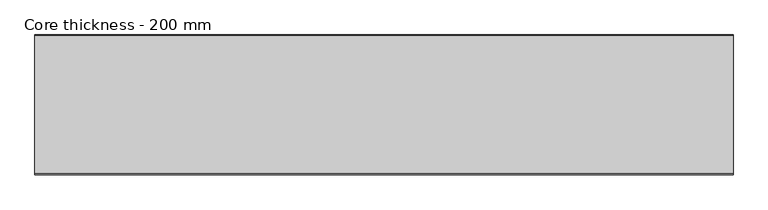
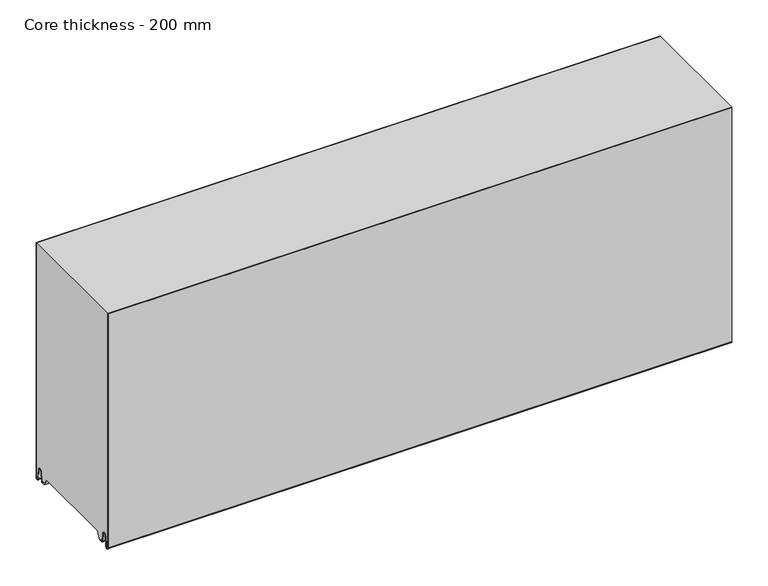
"""IFC4 building model written with IfcOpenShell, lengths in millimetres: plate geometry, Core thickness - 200 mm."""

from ifc_helpers import new_model, si_unit, frame, origin, place, context, project, spatial, polyline, circle_curve, source, transform, mapped, element, save
from ifc_brep_helpers import plane_surface, cylinder_surface, revolved_surface, advanced_brep


def core_thickness_200_mm_988ea79d(model_context):
    return source(origin(), model_context, "Body", "AdvancedBrep", [
        advanced_brep(
        [(500.0000002, -199.9996949, 2.9900682), (500.0000002, -193.81449, 2.6875612), (500.0000002, -192.197116, 19.1828169), (500.0000002, -189.1776715, 21.8898782), (500.0000002, -186.1582271, 19.1828169), (500.0000002, -184.7725998, 5.0510966), (500.0000002, -180.3830995, 5.265779), (500.0000002, -181.1830995, 5.265779), (500.0000002, -183.9764178, 5.1291629), (500.0000002, -185.3620451, 19.2608832), (500.0000002, -189.1776715, 22.6899182), (500.0000002, -192.9932979, 19.2608832), (500.0000002, -194.6106719, 2.7656275), (500.0000002, -199.1996949, 2.9900682), (500.0000002, -199.2, 400.0), (500.0000002, -199.9996949, 400.0), (-500.0000002, -199.1996949, 2.9900682), (-500.0000002, -194.6106719, 2.7656275), (-500.0000002, -192.9932979, 19.2608832), (-500.0000002, -189.1776715, 22.6899182), (-500.0000002, -185.3620451, 19.2608832), (-500.0000002, -183.9764178, 5.1291629), (-500.0000002, -181.1830995, 5.265779), (-500.0000002, -180.3830995, 5.265779), (-500.0000002, -184.7725998, 5.0510966), (-500.0000002, -186.1582271, 19.1828169), (-500.0000002, -189.1776715, 21.8898782), (-500.0000002, -192.197116, 19.1828169), (-500.0000002, -193.81449, 2.6875612), (-500.0000002, -199.9996949, 2.9900682), (-500.0000002, -199.9996949, 400.0), (-500.0000002, -199.2, 400.0)],
        [
            (0, 1, circle_curve(frame((500.0000002, -196.8996949, 2.9900682), z_axis=(1.0, 0.0, 0.0), x_axis=(0.0, 0.0, -1.0)), 3.1)),
            (1, 2),
            (2, 3, circle_curve(frame((500.0000002, -189.2114338, 18.8900682), z_axis=(-1.0, 0.0, 0.0), x_axis=(0.0, 0.0, -1.0)), 3.0)),
            (3, 4, circle_curve(frame((500.0000002, -189.1439093, 18.8900682), z_axis=(-1.0, 0.0, 0.0), x_axis=(0.0, 0.0, -1.0)), 3.0)),
            (4, 5),
            (5, 6, circle_curve(frame((500.0000002, -182.5830995, 5.265779), z_axis=(1.0, 0.0, 0.0), x_axis=(0.0, 0.0, -1.0)), 2.2)),
            (6, 7),
            (7, 8, circle_curve(frame((500.0000002, -182.5830995, 5.265779), z_axis=(-1.0, 0.0, 0.0), x_axis=(0.0, 0.0, -1.0)), 1.4)),
            (8, 9),
            (9, 10, circle_curve(frame((500.0000002, -189.1439093, 18.8900682), z_axis=(1.0, 0.0, 0.0), x_axis=(0.0, 0.0, -1.0)), 3.8)),
            (10, 11, circle_curve(frame((500.0000002, -189.2114338, 18.8900682), z_axis=(1.0, 0.0, 0.0), x_axis=(0.0, 0.0, -1.0)), 3.8)),
            (11, 12),
            (12, 13, circle_curve(frame((500.0000002, -196.8996949, 2.9900682), z_axis=(-1.0, 0.0, 0.0), x_axis=(0.0, 0.0, -1.0)), 2.3)),
            (13, 14),
            (14, 15),
            (15, 0),
            (16, 17, circle_curve(frame((-500.0000002, -196.8996949, 2.9900682), z_axis=(1.0, 0.0, 0.0), x_axis=(0.0, 0.0, -1.0)), 2.3)),
            (17, 18),
            (18, 19, circle_curve(frame((-500.0000002, -189.2114338, 18.8900682), z_axis=(-1.0, 0.0, 0.0), x_axis=(0.0, 0.0, -1.0)), 3.8)),
            (19, 20, circle_curve(frame((-500.0000002, -189.1439093, 18.8900682), z_axis=(-1.0, 0.0, 0.0), x_axis=(0.0, 0.0, -1.0)), 3.8)),
            (20, 21),
            (21, 22, circle_curve(frame((-500.0000002, -182.5830995, 5.265779), z_axis=(1.0, 0.0, 0.0), x_axis=(0.0, 0.0, -1.0)), 1.4)),
            (22, 23),
            (23, 24, circle_curve(frame((-500.0000002, -182.5830995, 5.265779), z_axis=(-1.0, 0.0, 0.0), x_axis=(0.0, 0.0, -1.0)), 2.2)),
            (24, 25),
            (25, 26, circle_curve(frame((-500.0000002, -189.1439093, 18.8900682), z_axis=(1.0, 0.0, 0.0), x_axis=(0.0, 0.0, -1.0)), 3.0)),
            (26, 27, circle_curve(frame((-500.0000002, -189.2114338, 18.8900682), z_axis=(1.0, 0.0, 0.0), x_axis=(0.0, 0.0, -1.0)), 3.0)),
            (27, 28),
            (28, 29, circle_curve(frame((-500.0000002, -196.8996949, 2.9900682), z_axis=(-1.0, 0.0, 0.0), x_axis=(0.0, 0.0, -1.0)), 3.1)),
            (29, 30),
            (30, 31),
            (31, 16),
            (13, 16),
            (31, 14),
            (29, 0),
            (15, 30),
            (12, 17),
            (11, 18),
            (10, 19),
            (9, 20),
            (8, 21),
            (7, 22),
            (6, 23),
            (5, 24),
            (4, 25),
            (3, 26),
            (2, 27),
            (1, 28),
        ],
        [
            plane_surface(frame((500.0000002, -200.0, 0.0), z_axis=(1.0, 0.0, 0.0), x_axis=(0.0, 1.0, 0.0))),
            plane_surface(frame((-500.0000002, -200.0, 0.0), z_axis=(-1.0, 0.0, 0.0), x_axis=(0.0, 1.0, 0.0))),
            plane_surface(frame((500.0000002, -199.2, 2.9900682), z_axis=(0.0, 1.0, 0.0), x_axis=(-1.0, 0.0, 0.0))),
            plane_surface(frame((500.0000002, -199.9996949, 1093.8000005), z_axis=(0.0, -1.0, 0.0), x_axis=(-1.0, 0.0, 0.0))),
            revolved_surface(polyline([(-500.0000002, -196.8996949, 0.6900682000000002), (500.0000002, -196.8996949, 0.6900682000000002)]), (500.0000002, -196.8996949, 2.9900682), (-1.0, 0.0, 0.0)),
            plane_surface(frame((500.0000002, -192.9932979, 19.2608832), z_axis=(0.0, -0.9952273999818314, 0.09758289975914787), x_axis=(-1.0, 0.0, 0.0))),
            cylinder_surface(frame((500.0000002, -189.2114338, 18.8900682), z_axis=(1.0, 0.0, 0.0), x_axis=(0.0, 0.0, -1.0)), 3.8),
            cylinder_surface(frame((500.0000002, -189.1439093, 18.8900682), z_axis=(1.0, 0.0, 0.0), x_axis=(0.0, 0.0, -1.0)), 3.8),
            plane_surface(frame((500.0000002, -183.9764178, 5.1291629), z_axis=(0.0, 0.9952273999818297, 0.09758289975916531), x_axis=(-1.0, 0.0, 0.0))),
            revolved_surface(polyline([(-500.0000002, -182.5830995, 3.8657790000000003), (500.0000002, -182.5830995, 3.8657790000000003)]), (500.0000002, -182.5830995, 5.265779), (-1.0, 0.0, 0.0)),
            plane_surface(frame((500.0000002, -180.3830995, 5.265779), z_axis=(0.0, 0.0, 1.0), x_axis=(-1.0, 0.0, 0.0))),
            cylinder_surface(frame((500.0000002, -182.5830995, 5.265779), z_axis=(1.0, 0.0, 0.0), x_axis=(0.0, 0.0, -1.0)), 2.2),
            plane_surface(frame((500.0000002, -186.1582271, 19.1828169), z_axis=(0.0, -0.9952273999818296, -0.09758289975916527), x_axis=(-1.0, 0.0, 0.0))),
            revolved_surface(polyline([(-500.0000002, -189.1439093, 15.890068200000002), (500.0000002, -189.1439093, 15.890068200000002)]), (500.0000002, -189.1439093, 18.8900682), (-1.0, 0.0, 0.0)),
            revolved_surface(polyline([(-500.0000002, -189.2114338, 15.890068200000002), (500.0000002, -189.2114338, 15.890068200000002)]), (500.0000002, -189.2114338, 18.8900682), (-1.0, 0.0, 0.0)),
            plane_surface(frame((500.0000002, -193.81449, 2.6875612), z_axis=(0.0, 0.9952273999818314, -0.09758289975914787), x_axis=(-1.0, 0.0, 0.0))),
            cylinder_surface(frame((500.0000002, -196.8996949, 2.9900682), z_axis=(1.0, 0.0, 0.0), x_axis=(0.0, 0.0, -1.0)), 3.1),
            plane_surface(frame((-500.0000002, 134.0533409, 400.0), z_axis=(0.0, 0.0, 1.0), x_axis=(1.0, 0.0, 0.0))),
        ],
        [
            (0, [[1, 2, 3, 4, 5, 6, 7, 8, 9, 10, 11, 12, 13, 14, 15, 16]]),
            (1, [[17, 18, 19, 20, 21, 22, 23, 24, 25, 26, 27, 28, 29, 30, 31, 32]]),
            (2, [[33, -32, 34, -14]]),
            (3, [[35, -16, 36, -30]]),
            (4, [[-13, 37, -17, -33]]),
            (5, [[-12, 38, -18, -37]]),
            (6, [[-11, 39, -19, -38]]),
            (7, [[-10, 40, -20, -39]]),
            (8, [[-9, 41, -21, -40]]),
            (9, [[-8, 42, -22, -41]]),
            (10, [[-7, 43, -23, -42]]),
            (11, [[-6, 44, -24, -43]]),
            (12, [[-5, 45, -25, -44]]),
            (13, [[-4, 46, -26, -45]]),
            (14, [[-3, 47, -27, -46]]),
            (15, [[-2, 48, -28, -47]]),
            (16, [[-1, -35, -29, -48]]),
            (17, [[-15, -34, -31, -36]]),
        ],
    ),
        advanced_brep(
        [(500.0000002, -0.8003051, 2.9900682), (500.0000002, -5.3893281, 2.7656275), (500.0000002, -7.0067021, 19.2608832), (500.0000002, -10.8223285, 22.6899182), (500.0000002, -14.6379549, 19.2608832), (500.0000002, -16.0235822, 5.1291629), (500.0000002, -18.8169005, 5.265779), (500.0000002, -19.6169005, 5.265779), (500.0000002, -15.2274002, 5.0510966), (500.0000002, -13.8417729, 19.1828169), (500.0000002, -10.8223285, 21.8898782), (500.0000002, -7.802884, 19.1828169), (500.0000002, -6.18551, 2.6875612), (500.0000002, -0.0003051, 2.9900682), (500.0000002, -0.0003051, 400.0), (500.0000002, -0.8, 400.0), (-500.0000002, -0.0003051, 2.9900682), (-500.0000002, -6.18551, 2.6875612), (-500.0000002, -7.802884, 19.1828169), (-500.0000002, -10.8223285, 21.8898782), (-500.0000002, -13.8417729, 19.1828169), (-500.0000002, -15.2274002, 5.0510966), (-500.0000002, -19.6169005, 5.265779), (-500.0000002, -18.8169005, 5.265779), (-500.0000002, -16.0235822, 5.1291629), (-500.0000002, -14.6379549, 19.2608832), (-500.0000002, -10.8223285, 22.6899182), (-500.0000002, -7.0067021, 19.2608832), (-500.0000002, -5.3893281, 2.7656275), (-500.0000002, -0.8003051, 2.9900682), (-500.0000002, -0.8, 400.0), (-500.0000002, -0.0003051, 400.0)],
        [
            (0, 1, circle_curve(frame((500.0000002, -3.1003051, 2.9900682), z_axis=(-1.0, 0.0, 0.0), x_axis=(0.0, 0.0, -1.0)), 2.3)),
            (1, 2),
            (2, 3, circle_curve(frame((500.0000002, -10.7885662, 18.8900682), z_axis=(1.0, 0.0, 0.0), x_axis=(0.0, 0.0, -1.0)), 3.8)),
            (3, 4, circle_curve(frame((500.0000002, -10.8560907, 18.8900682), z_axis=(1.0, 0.0, 0.0), x_axis=(0.0, 0.0, -1.0)), 3.8)),
            (4, 5),
            (5, 6, circle_curve(frame((500.0000002, -17.4169005, 5.265779), z_axis=(-1.0, 0.0, 0.0), x_axis=(0.0, 0.0, -1.0)), 1.4)),
            (6, 7),
            (7, 8, circle_curve(frame((500.0000002, -17.4169005, 5.265779), z_axis=(1.0, 0.0, 0.0), x_axis=(0.0, 0.0, -1.0)), 2.2)),
            (8, 9),
            (9, 10, circle_curve(frame((500.0000002, -10.8560907, 18.8900682), z_axis=(-1.0, 0.0, 0.0), x_axis=(0.0, 0.0, -1.0)), 3.0)),
            (10, 11, circle_curve(frame((500.0000002, -10.7885662, 18.8900682), z_axis=(-1.0, 0.0, 0.0), x_axis=(0.0, 0.0, -1.0)), 3.0)),
            (11, 12),
            (12, 13, circle_curve(frame((500.0000002, -3.1003051, 2.9900682), z_axis=(1.0, 0.0, 0.0), x_axis=(0.0, 0.0, -1.0)), 3.1)),
            (13, 14),
            (14, 15),
            (15, 0),
            (16, 17, circle_curve(frame((-500.0000002, -3.1003051, 2.9900682), z_axis=(-1.0, 0.0, 0.0), x_axis=(0.0, 0.0, -1.0)), 3.1)),
            (17, 18),
            (18, 19, circle_curve(frame((-500.0000002, -10.7885662, 18.8900682), z_axis=(1.0, 0.0, 0.0), x_axis=(0.0, 0.0, -1.0)), 3.0)),
            (19, 20, circle_curve(frame((-500.0000002, -10.8560907, 18.8900682), z_axis=(1.0, 0.0, 0.0), x_axis=(0.0, 0.0, -1.0)), 3.0)),
            (20, 21),
            (21, 22, circle_curve(frame((-500.0000002, -17.4169005, 5.265779), z_axis=(-1.0, 0.0, 0.0), x_axis=(0.0, 0.0, -1.0)), 2.2)),
            (22, 23),
            (23, 24, circle_curve(frame((-500.0000002, -17.4169005, 5.265779), z_axis=(1.0, 0.0, 0.0), x_axis=(0.0, 0.0, -1.0)), 1.4)),
            (24, 25),
            (25, 26, circle_curve(frame((-500.0000002, -10.8560907, 18.8900682), z_axis=(-1.0, 0.0, 0.0), x_axis=(0.0, 0.0, -1.0)), 3.8)),
            (26, 27, circle_curve(frame((-500.0000002, -10.7885662, 18.8900682), z_axis=(-1.0, 0.0, 0.0), x_axis=(0.0, 0.0, -1.0)), 3.8)),
            (27, 28),
            (28, 29, circle_curve(frame((-500.0000002, -3.1003051, 2.9900682), z_axis=(1.0, 0.0, 0.0), x_axis=(0.0, 0.0, -1.0)), 2.3)),
            (29, 30),
            (30, 31),
            (31, 16),
            (13, 16),
            (31, 14),
            (29, 0),
            (15, 30),
            (12, 17),
            (11, 18),
            (10, 19),
            (9, 20),
            (8, 21),
            (7, 22),
            (6, 23),
            (5, 24),
            (4, 25),
            (3, 26),
            (2, 27),
            (1, 28),
        ],
        [
            plane_surface(frame((500.0000002, 0.0, 0.0), z_axis=(1.0, 0.0, 0.0), x_axis=(0.0, -1.0, 0.0))),
            plane_surface(frame((-500.0000002, 0.0, 0.0), z_axis=(-1.0, 0.0, 0.0), x_axis=(0.0, -1.0, 0.0))),
            plane_surface(frame((500.0000002, -0.0003051, 2.9900682), z_axis=(0.0, 1.0, 0.0), x_axis=(-1.0, 0.0, 0.0))),
            plane_surface(frame((500.0000002, -0.8, 1093.8000005), z_axis=(0.0, -1.0, 0.0), x_axis=(-1.0, 0.0, 0.0))),
            cylinder_surface(frame((500.0000002, -3.1003051, 2.9900682), z_axis=(1.0, 0.0, 0.0), x_axis=(0.0, 0.0, -1.0)), 3.1),
            plane_surface(frame((500.0000002, -7.802884, 19.1828169), z_axis=(0.0, -0.9952273999818314, -0.09758289975914787), x_axis=(-1.0, 0.0, 0.0))),
            revolved_surface(polyline([(-500.0000002, -10.7885662, 15.890068200000002), (500.0000002, -10.7885662, 15.890068200000002)]), (500.0000002, -10.7885662, 18.8900682), (-1.0, 0.0, 0.0)),
            revolved_surface(polyline([(-500.0000002, -10.8560907, 15.890068200000002), (500.0000002, -10.8560907, 15.890068200000002)]), (500.0000002, -10.8560907, 18.8900682), (-1.0, 0.0, 0.0)),
            plane_surface(frame((500.0000002, -15.2274002, 5.0510966), z_axis=(0.0, 0.9952273999818296, -0.09758289975916527), x_axis=(-1.0, 0.0, 0.0))),
            cylinder_surface(frame((500.0000002, -17.4169005, 5.265779), z_axis=(1.0, 0.0, 0.0), x_axis=(0.0, 0.0, -1.0)), 2.2),
            plane_surface(frame((500.0000002, -18.8169005, 5.265779), z_axis=(0.0, 0.0, 1.0), x_axis=(-1.0, 0.0, 0.0))),
            revolved_surface(polyline([(-500.0000002, -17.4169005, 3.8657790000000003), (500.0000002, -17.4169005, 3.8657790000000003)]), (500.0000002, -17.4169005, 5.265779), (-1.0, 0.0, 0.0)),
            plane_surface(frame((500.0000002, -14.6379549, 19.2608832), z_axis=(0.0, -0.9952273999818297, 0.09758289975916531), x_axis=(-1.0, 0.0, 0.0))),
            cylinder_surface(frame((500.0000002, -10.8560907, 18.8900682), z_axis=(1.0, 0.0, 0.0), x_axis=(0.0, 0.0, -1.0)), 3.8),
            cylinder_surface(frame((500.0000002, -10.7885662, 18.8900682), z_axis=(1.0, 0.0, 0.0), x_axis=(0.0, 0.0, -1.0)), 3.8),
            plane_surface(frame((500.0000002, -5.3893281, 2.7656275), z_axis=(0.0, 0.9952273999818314, 0.09758289975914787), x_axis=(-1.0, 0.0, 0.0))),
            revolved_surface(polyline([(-500.0000002, -3.1003051, 0.6900682000000002), (500.0000002, -3.1003051, 0.6900682000000002)]), (500.0000002, -3.1003051, 2.9900682), (-1.0, 0.0, 0.0)),
            plane_surface(frame((-500.0000002, 134.0533409, 400.0), z_axis=(0.0, 0.0, 1.0), x_axis=(1.0, 0.0, 0.0))),
        ],
        [
            (0, [[1, 2, 3, 4, 5, 6, 7, 8, 9, 10, 11, 12, 13, 14, 15, 16]]),
            (1, [[17, 18, 19, 20, 21, 22, 23, 24, 25, 26, 27, 28, 29, 30, 31, 32]]),
            (2, [[33, -32, 34, -14]]),
            (3, [[35, -16, 36, -30]]),
            (4, [[-13, 37, -17, -33]]),
            (5, [[-12, 38, -18, -37]]),
            (6, [[-11, 39, -19, -38]]),
            (7, [[-10, 40, -20, -39]]),
            (8, [[-9, 41, -21, -40]]),
            (9, [[-8, 42, -22, -41]]),
            (10, [[-7, 43, -23, -42]]),
            (11, [[-6, 44, -24, -43]]),
            (12, [[-5, 45, -25, -44]]),
            (13, [[-4, 46, -26, -45]]),
            (14, [[-3, 47, -27, -46]]),
            (15, [[-2, 48, -28, -47]]),
            (16, [[-1, -35, -29, -48]]),
            (17, [[-15, -34, -31, -36]]),
        ],
    ),
        advanced_brep(
        [(500.0000002, -169.873448, 15.0417681), (500.0000002, -30.126552, 15.0417681), (500.0000002, -23.4086055, 3.0684055), (500.0000002, -17.4169005, 3.0684055), (500.0000002, -19.6169005, 5.265779), (500.0000002, -18.8169005, 5.265779), (500.0000002, -16.0235822, 5.1291629), (500.0000002, -14.6379549, 19.2608832), (500.0000002, -10.8223285, 22.6899182), (500.0000002, -7.0067021, 19.2608832), (500.0000002, -5.3893281, 2.7656275), (500.0000002, -0.8003051, 2.9900682), (500.0000002, -0.8, 400.0), (500.0000002, -199.2, 400.0), (500.0000002, -199.2, 2.9900682), (500.0000002, -194.6106719, 2.7656275), (500.0000002, -192.9932979, 19.2608832), (500.0000002, -189.1776715, 22.6899182), (500.0000002, -185.3620451, 19.2608832), (500.0000002, -183.9764178, 5.1291629), (500.0000002, -181.1830995, 5.265779), (500.0000002, -180.3830995, 5.265779), (500.0000002, -182.5830995, 3.065779), (500.0000002, -176.5913945, 3.0684055), (-500.0000002, -30.126552, 15.0417681), (-500.0000002, -169.873448, 15.0417681), (-500.0000002, -176.5913945, 3.0684055), (-500.0000002, -182.5830995, 3.0684055), (-500.0000002, -180.3830995, 5.265779), (-500.0000002, -181.1830995, 5.265779), (-500.0000002, -183.9764178, 5.1291629), (-500.0000002, -185.3620451, 19.2608832), (-500.0000002, -189.1776715, 22.6899182), (-500.0000002, -192.9932979, 19.2608832), (-500.0000002, -194.6106719, 2.7656275), (-500.0000002, -199.1996949, 2.9900682), (-500.0000002, -199.2, 400.0), (-500.0000002, -0.8, 400.0), (-500.0000002, -0.8, 2.9900682), (-500.0000002, -5.3893281, 2.7656275), (-500.0000002, -7.0067021, 19.2608832), (-500.0000002, -10.8223285, 22.6899182), (-500.0000002, -14.6379549, 19.2608832), (-500.0000002, -16.0235822, 5.1291629), (-500.0000002, -18.8169005, 5.265779), (-500.0000002, -19.6169005, 5.265779), (-500.0000002, -17.4169005, 3.065779), (-500.0000002, -23.4086055, 3.0684055)],
        [
            (0, 1),
            (1, 2),
            (2, 3),
            (3, 4, circle_curve(frame((500.0000002, -17.4169005, 5.265779), z_axis=(-1.0, 0.0, 0.0), x_axis=(0.0, 0.0, -1.0)), 2.2)),
            (4, 5),
            (5, 6, circle_curve(frame((500.0000002, -17.4169005, 5.265779), z_axis=(1.0, 0.0, 0.0), x_axis=(0.0, 0.0, -1.0)), 1.4)),
            (6, 7),
            (7, 8, circle_curve(frame((500.0000002, -10.8560907, 18.8900682), z_axis=(-1.0, 0.0, 0.0), x_axis=(0.0, 0.0, -1.0)), 3.8)),
            (8, 9, circle_curve(frame((500.0000002, -10.7885662, 18.8900682), z_axis=(-1.0, 0.0, 0.0), x_axis=(0.0, 0.0, -1.0)), 3.8)),
            (9, 10),
            (10, 11, circle_curve(frame((500.0000002, -3.1003051, 2.9900682), z_axis=(1.0, 0.0, 0.0), x_axis=(0.0, 0.0, -1.0)), 2.3)),
            (11, 12),
            (12, 13),
            (13, 14),
            (14, 15, circle_curve(frame((500.0000002, -196.8996949, 2.9900682), z_axis=(1.0, 0.0, 0.0), x_axis=(0.0, 0.0, -1.0)), 2.3)),
            (15, 16),
            (16, 17, circle_curve(frame((500.0000002, -189.2114338, 18.8900682), z_axis=(-1.0, 0.0, 0.0), x_axis=(0.0, 0.0, -1.0)), 3.8)),
            (17, 18, circle_curve(frame((500.0000002, -189.1439093, 18.8900682), z_axis=(-1.0, 0.0, 0.0), x_axis=(0.0, 0.0, -1.0)), 3.8)),
            (18, 19),
            (19, 20, circle_curve(frame((500.0000002, -182.5830995, 5.265779), z_axis=(1.0, 0.0, 0.0), x_axis=(0.0, 0.0, -1.0)), 1.4)),
            (20, 21),
            (21, 22, circle_curve(frame((500.0000002, -182.5830995, 5.265779), z_axis=(-1.0, 0.0, 0.0), x_axis=(0.0, 0.0, -1.0)), 2.2)),
            (22, 23),
            (23, 0),
            (24, 25),
            (25, 26),
            (26, 27),
            (27, 28, circle_curve(frame((-500.0000002, -182.5830995, 5.265779), z_axis=(1.0, 0.0, 0.0), x_axis=(0.0, 0.0, -1.0)), 2.2)),
            (28, 29),
            (29, 30, circle_curve(frame((-500.0000002, -182.5830995, 5.265779), z_axis=(-1.0, 0.0, 0.0), x_axis=(0.0, 0.0, -1.0)), 1.4)),
            (30, 31),
            (31, 32, circle_curve(frame((-500.0000002, -189.1439093, 18.8900682), z_axis=(1.0, 0.0, 0.0), x_axis=(0.0, 0.0, -1.0)), 3.8)),
            (32, 33, circle_curve(frame((-500.0000002, -189.2114338, 18.8900682), z_axis=(1.0, 0.0, 0.0), x_axis=(0.0, 0.0, -1.0)), 3.8)),
            (33, 34),
            (34, 35, circle_curve(frame((-500.0000002, -196.8996949, 2.9900682), z_axis=(-1.0, 0.0, 0.0), x_axis=(0.0, 0.0, -1.0)), 2.3)),
            (35, 36),
            (36, 37),
            (37, 38),
            (38, 39, circle_curve(frame((-500.0000002, -3.1003051, 2.9900682), z_axis=(-1.0, 0.0, 0.0), x_axis=(0.0, 0.0, -1.0)), 2.3)),
            (39, 40),
            (40, 41, circle_curve(frame((-500.0000002, -10.7885662, 18.8900682), z_axis=(1.0, 0.0, 0.0), x_axis=(0.0, 0.0, -1.0)), 3.8)),
            (41, 42, circle_curve(frame((-500.0000002, -10.8560907, 18.8900682), z_axis=(1.0, 0.0, 0.0), x_axis=(0.0, 0.0, -1.0)), 3.8)),
            (42, 43),
            (43, 44, circle_curve(frame((-500.0000002, -17.4169005, 5.265779), z_axis=(-1.0, 0.0, 0.0), x_axis=(0.0, 0.0, -1.0)), 1.4)),
            (44, 45),
            (45, 46, circle_curve(frame((-500.0000002, -17.4169005, 5.265779), z_axis=(1.0, 0.0, 0.0), x_axis=(0.0, 0.0, -1.0)), 2.2)),
            (46, 47),
            (47, 24),
            (1, 24),
            (47, 2),
            (0, 25),
            (23, 26),
            (46, 3),
            (22, 27),
            (35, 14),
            (13, 36),
            (34, 15),
            (33, 16),
            (32, 17),
            (31, 18),
            (30, 19),
            (29, 20),
            (28, 21),
            (12, 37),
            (11, 38),
            (45, 4),
            (44, 5),
            (43, 6),
            (42, 7),
            (41, 8),
            (40, 9),
            (39, 10),
        ],
        [
            plane_surface(frame((500.0000002, 0.0, 0.0), z_axis=(1.0, 0.0, 0.0), x_axis=(0.0, -1.0, 0.0))),
            plane_surface(frame((-500.0000002, 0.0, 0.0), z_axis=(-1.0, 0.0, 0.0), x_axis=(0.0, -1.0, 0.0))),
            plane_surface(frame((500.0000002, -30.126552, 15.0417681), z_axis=(0.0, -0.8721062992196836, -0.4893164649399687), x_axis=(-1.0, 0.0, 0.0))),
            plane_surface(frame((500.0000002, -169.873448, 15.0417681), z_axis=(0.0, 0.0, -1.0), x_axis=(-1.0, 0.0, 0.0))),
            plane_surface(frame((500.0000002, -176.8190247, 2.6627014), z_axis=(0.0, 0.8721062992196872, -0.4893164649399624), x_axis=(-1.0, 0.0, 0.0))),
            plane_surface(frame((-500.0000002, -182.5830995, 3.0684055), z_axis=(0.0, 0.0, -1.0), x_axis=(1.0, 0.0, 0.0))),
            plane_surface(frame((630.0000002, -199.2, 2.9900682), z_axis=(0.0, -1.0, 0.0), x_axis=(-1.0, 0.0, 0.0))),
            cylinder_surface(frame((630.0000002, -196.8996949, 2.9900682), z_axis=(-1.0, 0.0, 0.0), x_axis=(0.0, 0.0, -1.0)), 2.3),
            plane_surface(frame((630.0000002, -192.9932979, 19.2608832), z_axis=(0.0, 0.9952273999818314, -0.09758289975914787), x_axis=(-1.0, 0.0, 0.0))),
            revolved_surface(polyline([(500.0000002, -189.2114338, 15.090068200000001), (-500.00000020000004, -189.2114338, 15.090068200000001)]), (630.0000002, -189.2114338, 18.8900682), (1.0, 0.0, 0.0)),
            revolved_surface(polyline([(500.0000002, -189.1439093, 15.090068200000001), (-500.00000020000004, -189.1439093, 15.090068200000001)]), (630.0000002, -189.1439093, 18.8900682), (1.0, 0.0, 0.0)),
            plane_surface(frame((630.0000002, -183.9764178, 5.1291629), z_axis=(0.0, -0.9952273999818297, -0.09758289975916531), x_axis=(-1.0, 0.0, 0.0))),
            cylinder_surface(frame((630.0000002, -182.5830995, 5.265779), z_axis=(-1.0, 0.0, 0.0), x_axis=(0.0, 0.0, -1.0)), 1.4),
            plane_surface(frame((630.0000002, -180.3830995, 5.265779), z_axis=(0.0, 0.0, -1.0), x_axis=(-1.0, 0.0, 0.0))),
            revolved_surface(polyline([(500.0000002, -182.5830995, 3.065779), (-500.00000020000004, -182.5830995, 3.065779)]), (630.0000002, -182.5830995, 5.265779), (1.0, 0.0, 0.0)),
            plane_surface(frame((-500.0000002, 134.0533409, 400.0), z_axis=(0.0, 0.0, 1.0), x_axis=(1.0, 0.0, 0.0))),
            plane_surface(frame((630.0000002, -0.8, 1093.8000005), z_axis=(0.0, 1.0, 0.0), x_axis=(-1.0, 0.0, 0.0))),
            revolved_surface(polyline([(500.0000002, -17.4169005, 3.065779), (-500.00000020000004, -17.4169005, 3.065779)]), (630.0000002, -17.4169005, 5.265779), (1.0, 0.0, 0.0)),
            plane_surface(frame((630.0000002, -18.8169005, 5.265779), z_axis=(0.0, 0.0, -1.0), x_axis=(-1.0, 0.0, 0.0))),
            cylinder_surface(frame((630.0000002, -17.4169005, 5.265779), z_axis=(-1.0, 0.0, 0.0), x_axis=(0.0, 0.0, -1.0)), 1.4),
            plane_surface(frame((630.0000002, -14.6379549, 19.2608832), z_axis=(0.0, 0.9952273999818297, -0.09758289975916531), x_axis=(-1.0, 0.0, 0.0))),
            revolved_surface(polyline([(500.0000002, -10.8560907, 15.090068200000001), (-500.00000020000004, -10.8560907, 15.090068200000001)]), (630.0000002, -10.8560907, 18.8900682), (1.0, 0.0, 0.0)),
            revolved_surface(polyline([(500.0000002, -10.7885662, 15.090068200000001), (-500.00000020000004, -10.7885662, 15.090068200000001)]), (630.0000002, -10.7885662, 18.8900682), (1.0, 0.0, 0.0)),
            plane_surface(frame((630.0000002, -5.3893281, 2.7656275), z_axis=(0.0, -0.9952273999818314, -0.09758289975914787), x_axis=(-1.0, 0.0, 0.0))),
            cylinder_surface(frame((630.0000002, -3.1003051, 2.9900682), z_axis=(-1.0, 0.0, 0.0), x_axis=(0.0, 0.0, -1.0)), 2.3),
        ],
        [
            (0, [[1, 2, 3, 4, 5, 6, 7, 8, 9, 10, 11, 12, 13, 14, 15, 16, 17, 18, 19, 20, 21, 22, 23, 24]]),
            (1, [[25, 26, 27, 28, 29, 30, 31, 32, 33, 34, 35, 36, 37, 38, 39, 40, 41, 42, 43, 44, 45, 46, 47, 48]]),
            (2, [[49, -48, 50, -2]]),
            (3, [[-1, 51, -25, -49]]),
            (4, [[-51, -24, 52, -26]]),
            (5, [[-3, -50, -47, 53]]),
            (5, [[-23, 54, -27, -52]]),
            (6, [[55, -14, 56, -36]]),
            (7, [[-55, -35, 57, -15]]),
            (8, [[-57, -34, 58, -16]]),
            (9, [[-58, -33, 59, -17]]),
            (10, [[-59, -32, 60, -18]]),
            (11, [[-60, -31, 61, -19]]),
            (12, [[-61, -30, 62, -20]]),
            (13, [[-62, -29, 63, -21]]),
            (14, [[-63, -28, -54, -22]]),
            (15, [[64, -37, -56, -13]]),
            (16, [[65, -38, -64, -12]]),
            (17, [[66, -4, -53, -46]]),
            (18, [[-66, -45, 67, -5]]),
            (19, [[-67, -44, 68, -6]]),
            (20, [[-68, -43, 69, -7]]),
            (21, [[-69, -42, 70, -8]]),
            (22, [[-70, -41, 71, -9]]),
            (23, [[-71, -40, 72, -10]]),
            (24, [[-72, -39, -65, -11]]),
        ],
    ),
    ])


if __name__ == "__main__":
    model = new_model("IFC4")
    model_context = context("Model", 3, world=origin())
    ifc_project = project(units=[si_unit("LENGTHUNIT", "METRE", prefix="MILLI")], contexts=[model_context])
    site = spatial("IfcSite", under=ifc_project)
    building = spatial("IfcBuilding", under=site)
    placement = place(None, origin())
    core_thickness_200_mm_shape = core_thickness_200_mm_988ea79d(model_context)
    element("IfcPlate", 1, ObjectType="Core thickness - 200 mm", at=placement, inside=building, context=model_context, shape_type="MappedRepresentation", body=[
        mapped(core_thickness_200_mm_shape, transform((0.0, 0.0, 0.0), x_axis=(1.0, 0.0, 0.0), y_axis=(0.0, 1.0, 0.0), z_axis=(0.0, 0.0, 1.0))),
    ])
    save(model, "model.ifc")
